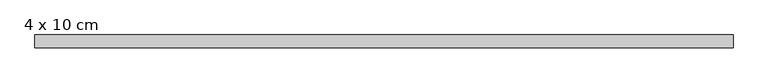
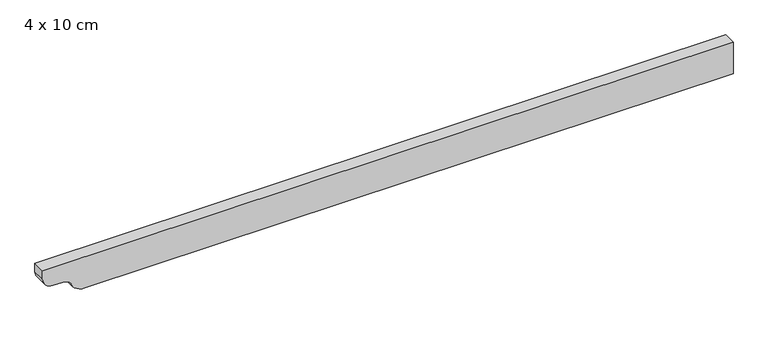
"""IFC4 building model written with IfcOpenShell, lengths in millimetres: beam geometry, 4 x 10 cm."""

from ifc_helpers import new_model, si_unit, point, frame, frame_2d, origin, place, context, project, spatial, polyline, circle_curve, trimmed, segment, composite_curve, outline, extrude, source, transform, mapped, element, save


def beam_4_x_10_cm_4fad4c5a(model_context):
    return source(origin(), model_context, "Body", "SweptSolid", [
        extrude(outline(composite_curve([segment(polyline([(50.0, 1051.7305394), (50.0, -1091.4587855), (22.5, -1091.4587855)]), True, "CONTINUOUS"), segment(trimmed(circle_curve(frame_2d((22.5, -1058.9587855)), 32.5), [point((22.5, -1091.4587855))], [point((-10.0, -1058.9587855))], False, "CARTESIAN"), True, "CONTINUOUS"), segment(polyline([(-10.0, -1058.9587855), (-10.0, -1027.9485803)]), True, "CONTINUOUS"), segment(trimmed(circle_curve(frame_2d((-40.0, -1027.9485803)), 30.0), [point((-10.0, -1027.9485803))], [point((-34.0, -998.5547034))], True, "CARTESIAN"), True, "CONTINUOUS"), segment(trimmed(circle_curve(frame_2d((-3.1535049, -959.2037982)), 50.0), [point((-34.0, -998.5547034))], [point((-53.1535049, -959.2037982))], False, "CARTESIAN"), True, "CONTINUOUS"), segment(polyline([(-53.1535049, -959.2037982), (-53.1535049, 1051.7305394), (50.0, 1051.7305394)]), True, "CONTINUOUS")], self_intersect=False)), frame((0.0, -20.0, 0.0), z_axis=(0.0, 1.0, 0.0), x_axis=(0.0, 0.0, 1.0)), (0.0, 0.0, 1.0), 40.0),
    ])


if __name__ == "__main__":
    model = new_model("IFC4")
    model_context = context("Model", 3, world=origin())
    ifc_project = project(units=[si_unit("LENGTHUNIT", "METRE", prefix="MILLI")], contexts=[model_context])
    site = spatial("IfcSite", under=ifc_project)
    building = spatial("IfcBuilding", under=site)
    placement = place(None, origin())
    beam_4_x_10_cm_shape = beam_4_x_10_cm_4fad4c5a(model_context)
    element("IfcBeam", 1, ObjectType="4 x 10 cm", at=placement, inside=building, context=model_context, shape_type="MappedRepresentation", body=[
        mapped(beam_4_x_10_cm_shape, transform((0.0, 0.0, 0.0), x_axis=(1.0, 0.0, 0.0), y_axis=(0.0, 1.0, 0.0), z_axis=(0.0, 0.0, 1.0))),
    ])
    save(model, "model.ifc")
